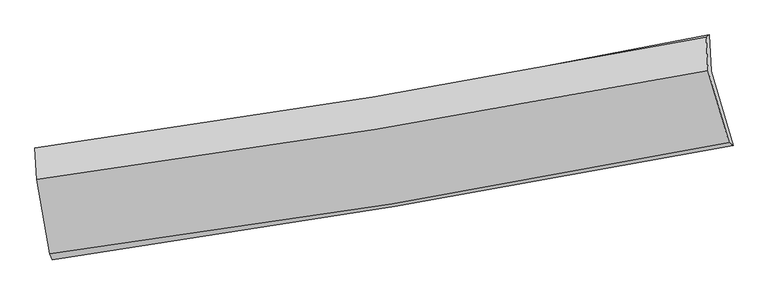
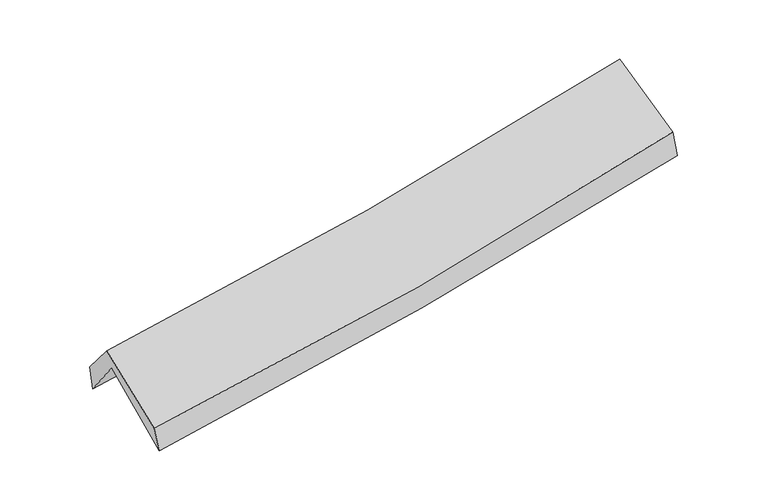
"""IFC4 building model written with IfcOpenShell, lengths in millimetres: proxy geometry."""

from ifc_helpers import new_model, si_unit, frame, origin, place, context, project, spatial, source, transform, mapped, element, save
from ifc_brep_helpers import plane_surface, spline_curve, spline_surface, advanced_brep


def generic_models_a7e28663(model_context):
    return source(origin(), model_context, "Body", "AdvancedBrep", [
        advanced_brep(
        [(-2259.4213246, -2466.9627052, 1494.6152661), (-2354.234575, -1955.5055259, 1932.4345235), (2272.8711872, -1164.9549306, 2335.7567656), (2424.3584356, -1677.1915507, 1926.9982838), (-2365.052837, -1709.3208166, 1608.3258543), (2261.1751973, -915.7698762, 2019.1553761), (-2379.1783787, -1693.8804972, 1794.5550519), (2239.1450306, -933.1631623, 2231.2017785), (-2367.9841108, -1913.075347, 2059.1367347), (2251.6039274, -1161.9538709, 2507.5897271), (-2276.1209006, -2425.3047869, 1668.1703384), (2396.6559412, -1658.7156591, 2126.6337646)],
        [
            (0, 1),
            (1, 2, spline_curve(3, [(-2354.234575, -1955.5055259, 1932.4345235), (-1573.811096148, -1850.995882862, 1980.652033415), (-796.697375579, -1732.588672238, 2038.519081168), (745.626160977, -1468.882639598, 2173.091173775), (1510.88102764, -1323.772984858, 2249.664873453), (2272.8711872, -1164.9549306, 2335.7567656)], [4, 2, 4], [0.0, 7.804719362734545, 15.556139476522986])),
            (2, 3),
            (3, 0, spline_curve(3, [(2424.3584356, -1677.1915507, 1926.9982838), (1650.61115507, -1825.501496408, 1834.211050079), (874.767061289, -1965.274585831, 1751.873044871), (-686.463924169, -2228.649440707, 1607.601179207), (-1471.879750213, -2352.133402843, 1545.811511939), (-2259.4213246, -2466.9627052, 1494.6152661)], [4, 2, 4], [0.0, 7.751420113788441, 15.556139476522986])),
            (1, 4),
            (4, 5, spline_curve(3, [(-2365.052837, -1709.3208166, 1608.3258543), (-1584.289361261, -1605.288291571, 1655.294249692), (-807.079870767, -1486.867077706, 1713.168780945), (734.947765196, -1222.15424508, 1850.26040445), (1499.814286089, -1076.058478675, 1929.329047276), (2261.1751973, -915.7698762, 2019.1553761)], [4, 2, 4], [0.0, 7.757770541671046, 15.462562452830205])),
            (5, 2),
            (4, 6),
            (6, 7, spline_curve(3, [(-2379.1783787, -1693.8804972, 1794.5550519), (-1600.850303513, -1588.613436985, 1846.627235035), (-825.517581198, -1472.331985607, 1909.211118572), (713.882783719, -1218.609617681, 2054.903108005), (1477.991198115, -1081.318623857, 2137.868133706), (2239.1450306, -933.1631623, 2231.2017785)], [4, 2, 4], [0.0, 7.748780505151622, 15.444643773695766])),
            (7, 5),
            (6, 8),
            (8, 9, spline_curve(3, [(-2367.9841108, -1913.075347, 2059.1367347), (-1589.460927277, -1809.417736499, 2113.175496697), (-813.92487625, -1694.74339687, 2177.729909491), (725.897143475, -1444.219616254, 2327.357374755), (1490.223771864, -1308.520130764, 2412.287292806), (2251.6039274, -1161.9538709, 2507.5897271)], [4, 2, 4], [0.0, 7.740242011370715, 15.427625096405533])),
            (9, 7),
            (8, 10),
            (10, 11, spline_curve(3, [(-2276.1209006, -2425.3047869, 1668.1703384), (-1488.149805792, -2324.73879831, 1719.55444256), (-703.443159252, -2210.307154606, 1783.626003165), (854.104687332, -1954.588711936, 1936.619841241), (1626.990321207, -1813.490646515, 2025.369422982), (2396.6559412, -1658.7156591, 2126.6337646)], [4, 2, 4], [0.0, 7.787163602765627, 15.521147846715408])),
            (11, 9),
            (10, 0),
            (3, 11),
        ],
        [
            spline_surface(3, 3, [[(-2259.4213246, -2466.9627052, 1494.6152661), (-1471.879750223, -2352.133402853, 1545.811511912), (-686.463924076, -2228.649440788, 1607.601179193), (874.767061197, -1965.274585751, 1751.873044886), (1650.611155145, -1825.501496316, 1834.21105019), (2424.3584356, -1677.1915507, 1926.9982838)], [(-2291.02574141, -2296.476978781, 1640.555018535), (-1505.856865554, -2185.087562867, 1690.75835239), (-723.208407882, -2063.295851308, 1751.240479796), (831.720094429, -1799.810603663, 1892.279087855), (1604.034445968, -1658.258659188, 1972.695657981), (2373.86268614, -1506.44601068, 2063.251111075)], [(-2322.63015819, -2125.991252319, 1786.494771065), (-1539.833980855, -2018.04172284, 1835.705192965), (-759.952891688, -1897.942261829, 1894.879780472), (788.67312766, -1634.346621575, 2032.685130897), (1557.457736771, -1491.015822019, 2111.180265746), (2323.36693666, -1335.70047062, 2199.503938325)], [(-2354.234575, -1955.5055259, 1932.4345235), (-1573.811096186, -1850.995882854, 1980.652033443), (-796.697375493, -1732.58867235, 2038.519081076), (745.626160893, -1468.882639487, 2173.091173866), (1510.881027595, -1323.772984891, 2249.664873538), (2272.8711872, -1164.9549306, 2335.7567656)]], [4, 4], [4, 2, 4], [0.0, 2.1814783510312314], [0.0, 7.804719362734545, 15.556139476522986]),
            spline_surface(3, 3, [[(-2354.234575, -1955.5055259, 1932.4345235), (-1573.811096186, -1850.995882854, 1980.652033443), (-796.697375493, -1732.58867235, 2038.519081076), (745.626160893, -1468.882639487, 2173.091173866), (1510.881027595, -1323.772984891, 2249.664873538), (2272.8711872, -1164.9549306, 2335.7567656)], [(-2357.840662337, -1873.443956136, 1824.398300463), (-1577.303851256, -1769.093352452, 1872.199438874), (-800.15820727, -1650.68147417, 1930.068981019), (742.066695695, -1386.63984132, 2065.480917407), (1507.192113788, -1241.201482827, 2142.886264739), (2268.972523914, -1081.89324581, 2230.22296908)], [(-2361.446749663, -1791.382386364, 1716.362077337), (-1580.796606314, -1687.190822042, 1763.746844216), (-803.619039071, -1568.774275986, 1821.618880962), (738.507230474, -1304.397043149, 1957.870660949), (1503.503199939, -1158.629980733, 2036.107656), (2265.073860586, -998.83156099, 2124.68917262)], [(-2365.052837, -1709.3208166, 1608.3258543), (-1584.289361384, -1605.28829164, 1655.294249646), (-807.079870848, -1486.867077805, 1713.168780905), (734.947765276, -1222.154244982, 1850.26040449), (1499.814286133, -1076.058478669, 1929.329047202), (2261.1751973, -915.7698762, 2019.1553761)]], [4, 4], [4, 2, 4], [0.0, 1.3358142937729218], [0.0, 7.757770541671046, 15.462562452830205]),
            spline_surface(3, 3, [[(-2365.052837, -1709.3208166, 1608.3258543), (-1584.289361384, -1605.28829164, 1655.294249646), (-807.079870848, -1486.867077805, 1713.168780905), (734.947765276, -1222.154244982, 1850.26040449), (1499.814286133, -1076.058478669, 1929.329047202), (2261.1751973, -915.7698762, 2019.1553761)], [(-2369.76135088, -1704.174043464, 1670.402253478), (-1589.809675372, -1599.730006759, 1719.071911449), (-813.225774295, -1482.022047115, 1778.516226776), (727.926104775, -1220.972702511, 1918.474639046), (1492.539923416, -1077.811860392, 1998.842076005), (2253.831808398, -921.56763822, 2089.837510224)], [(-2374.46986482, -1699.027270336, 1732.478652722), (-1595.32998942, -1594.171721886, 1782.849573318), (-819.371677774, -1477.177016418, 1843.863672597), (720.904444242, -1219.791160033, 1986.688873552), (1485.265560707, -1079.565242157, 2068.355104836), (2246.488419502, -927.36540028, 2160.519644376)], [(-2379.1783787, -1693.8804972, 1794.5550519), (-1600.850303408, -1588.613437005, 1846.627235121), (-825.517581221, -1472.331985727, 1909.211118468), (713.882783741, -1218.609617562, 2054.903108109), (1477.991197991, -1081.318623881, 2137.86813364), (2239.1450306, -933.1631623, 2231.2017785)]], [4, 4], [4, 2, 4], [0.0, 0.6610503435456607], [0.0, 7.748780505151622, 15.444643773695766]),
            spline_surface(3, 3, [[(-2379.1783787, -1693.8804972, 1794.5550519), (-1600.850303408, -1588.613437005, 1846.627235121), (-825.517581221, -1472.331985727, 1909.211118468), (713.882783741, -1218.609617562, 2054.903108109), (1477.991197991, -1081.318623881, 2137.86813364), (2239.1450306, -933.1631623, 2231.2017785)], [(-2375.446956084, -1766.945447126, 1882.748946159), (-1597.053844752, -1662.214870153, 1935.476655667), (-821.653346248, -1546.469122732, 1998.717382129), (717.887570343, -1293.812950498, 2145.721197015), (1482.068722603, -1157.052459499, 2229.34118675), (2243.297996202, -1009.426731844, 2323.33109472)], [(-2371.715533416, -1840.010397074, 1970.942840441), (-1593.257386045, -1735.816303323, 2024.326076235), (-817.789111284, -1620.606259742, 2088.223645774), (721.892356934, -1369.016283439, 2236.539285904), (1486.146247209, -1232.786295086, 2320.814239801), (2247.450961798, -1085.690301356, 2415.46041088)], [(-2367.9841108, -1913.075347, 2059.1367347), (-1589.46092739, -1809.417736471, 2113.175496782), (-813.924876311, -1694.743396747, 2177.729909436), (725.897143536, -1444.219616375, 2327.35737481), (1490.223771821, -1308.520130703, 2412.287292912), (2251.6039274, -1161.9538709, 2507.5897271)]], [4, 4], [4, 2, 4], [0.0, 1.152835243161629], [0.0, 7.740242011370715, 15.427625096405533]),
            spline_surface(3, 3, [[(-2367.9841108, -1913.075347, 2059.1367347), (-1589.46092739, -1809.417736471, 2113.175496782), (-813.924876311, -1694.743396747, 2177.729909436), (725.897143536, -1444.219616375, 2327.35737481), (1490.223771821, -1308.520130703, 2412.287292912), (2251.6039274, -1161.9538709, 2507.5897271)], [(-2337.363040744, -2083.818493649, 1928.814602602), (-1555.690553534, -1981.19142379, 1981.968478721), (-777.097637252, -1866.597982692, 2046.361940644), (768.632991428, -1614.342648223, 2197.111530336), (1535.812621577, -1476.843635952, 2283.314669591), (2299.954598659, -1327.541133627, 2380.604406265)], [(-2306.741970656, -2254.561640251, 1798.492470498), (-1521.920179646, -2152.965111061, 1850.761460654), (-740.270398191, -2038.452568658, 1914.99397183), (811.368839322, -1784.465680092, 2066.865685841), (1581.401471358, -1645.167141219, 2154.342046275), (2348.305269941, -1493.128396373, 2253.619085435)], [(-2276.1209006, -2425.3047869, 1668.1703384), (-1488.14980579, -2324.73879838, 1719.554442593), (-703.443159132, -2210.307154603, 1783.626003038), (854.104687214, -1954.58871194, 1936.619841367), (1626.990321114, -1813.490646467, 2025.369422953), (2396.6559412, -1658.7156591, 2126.6337646)]], [4, 4], [4, 2, 4], [0.0, 2.15485097982663], [0.0, 7.787163602765627, 15.521147846715408]),
            spline_surface(3, 3, [[(-2276.1209006, -2425.3047869, 1668.1703384), (-1488.14980579, -2324.73879838, 1719.554442593), (-703.443159132, -2210.307154603, 1783.626003038), (854.104687214, -1954.58871194, 1936.619841367), (1626.990321114, -1813.490646467, 2025.369422953), (2396.6559412, -1658.7156591, 2126.6337646)], [(-2270.554375244, -2439.190759644, 1610.318647663), (-1482.726453912, -2333.870333182, 1661.640132396), (-697.783414135, -2216.421250003, 1724.951061751), (860.992145186, -1958.150669882, 1875.037575868), (1634.863932445, -1817.494263069, 1961.649965368), (2405.890105988, -1664.874289619, 2060.088604336)], [(-2264.987849956, -2453.076732456, 1552.466956837), (-1477.303102101, -2343.001868051, 1603.725822109), (-692.123669073, -2222.535345388, 1666.27612048), (867.879603224, -1961.712627809, 1813.455310385), (1642.737543814, -1821.497879713, 1897.930507775), (2415.124270812, -1671.032920181, 1993.543444064)], [(-2259.4213246, -2466.9627052, 1494.6152661), (-1471.879750223, -2352.133402853, 1545.811511912), (-686.463924076, -2228.649440788, 1607.601179193), (874.767061197, -1965.274585751, 1751.873044886), (1650.611155145, -1825.501496316, 1834.21105019), (2424.3584356, -1677.1915507, 1926.9982838)]], [4, 4], [4, 2, 4], [0.0, 0.5968375490838514], [0.0, 7.842726986137541, 15.631895165273468]),
            plane_surface(frame((2307.6349532, -1251.958175, 2191.222616), z_axis=(0.9738758504009615, 0.19453778780486666, 0.11713614780157852), x_axis=(0.2257253773434044, -0.7730450558243811, -0.5928316756792416))),
            plane_surface(frame((-2333.6653544, -2027.3416131, 1759.5396281), z_axis=(-0.9896395370345372, -0.12830752025874087, -0.06442644630211831), x_axis=(-0.09315627138466247, 0.23238292520809004, 0.9681529244770366))),
        ],
        [
            (0, [[1, 2, 3, 4]]),
            (1, [[5, 6, 7, -2]]),
            (2, [[8, 9, 10, -6]]),
            (3, [[11, 12, 13, -9]]),
            (4, [[14, 15, 16, -12]]),
            (5, [[17, -4, 18, -15]]),
            (6, [[-16, -18, -3, -7, -10, -13]]),
            (7, [[-17, -14, -11, -8, -5, -1]]),
        ],
    ),
    ])


if __name__ == "__main__":
    model = new_model("IFC4")
    model_context = context("Model", 3, world=origin())
    ifc_project = project(units=[si_unit("LENGTHUNIT", "METRE", prefix="MILLI")], contexts=[model_context])
    site = spatial("IfcSite", under=ifc_project)
    building = spatial("IfcBuilding", under=site)
    placement = place(None, origin())
    generic_models_shape = generic_models_a7e28663(model_context)
    element("IfcBuildingElementProxy", 1, Name="Generic Models", at=placement, inside=building, context=model_context, shape_type="MappedRepresentation", body=[
        mapped(generic_models_shape, transform((0.0, 0.0, 0.0), x_axis=(1.0, 0.0, 0.0), y_axis=(0.0, 1.0, 0.0), z_axis=(0.0, 0.0, 1.0))),
    ])
    save(model, "model.ifc")
